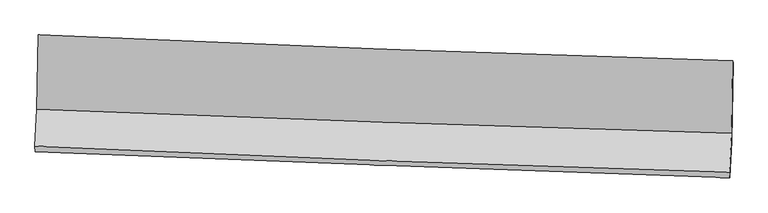
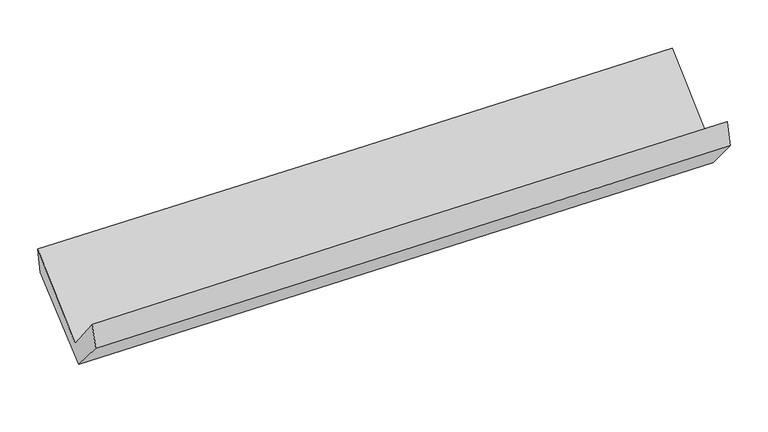
"""IFC4 building model written with IfcOpenShell, lengths in millimetres: proxy geometry."""

from ifc_helpers import new_model, si_unit, frame, origin, place, context, project, spatial, source, transform, mapped, element, save
from ifc_brep_helpers import plane_surface, spline_curve, spline_surface, advanced_brep


def generic_models_96dc1951(model_context):
    return source(origin(), model_context, "Body", "AdvancedBrep", [
        advanced_brep(
        [(-2382.8633353, -1119.8082898, 2206.0935081), (-2391.0738705, -1630.0420748, 1749.5724711), (2379.2179242, -1793.7393168, 1836.8222903), (2385.6568494, -1296.3837551, 2274.8395167), (-2405.248134, -1883.3355494, 2063.0791632), (2364.5961525, -2062.0371648, 2148.9761291), (-2403.402265, -1923.7580113, 1893.3890352), (2366.9251861, -2100.5210097, 1975.996494), (-2390.0128232, -1678.6348903, 1607.5180321), (2380.5681988, -1850.1826084, 1684.7377547), (-2380.3987587, -1145.5118773, 2029.1482423), (2388.9356815, -1310.0652092, 2092.7742639)],
        [
            (0, 1),
            (1, 2, spline_curve(3, [(-2391.0738705, -1630.0420748, 1749.5724711), (-1596.288114587, -1663.261966224, 1767.532343282), (-801.370866284, -1693.513350286, 1783.783098395), (788.726398765, -1748.07909607, 1812.866370637), (1583.906415135, -1772.393459255, 1825.698888524), (2379.2179242, -1793.7393168, 1836.8222903)], [4, 2, 4], [0.0, 7.829935005674919, 15.659867875054417])),
            (2, 3),
            (3, 0, spline_curve(3, [(2385.6568494, -1296.3837551, 2274.8395167), (1590.655899224, -1273.990702236, 2263.747971528), (795.778796431, -1248.079556139, 2252.473365669), (-793.727931869, -1189.221069432, 2229.558029405), (-1588.357557244, -1156.273727129, 2217.917299292), (-2382.8633353, -1119.8082898, 2206.0935081)], [4, 2, 4], [0.0, 7.829932869379498, 15.659867875054417])),
            (1, 4),
            (4, 5, spline_curve(3, [(-2405.248134, -1883.3355494, 2063.0791632), (-1610.725758811, -1920.019189335, 2088.64695948), (-815.977492825, -1953.252812094, 2108.588938485), (773.970602727, -2012.82001518, 2137.221257209), (1569.170432521, -2039.153597677, 2145.911600455), (2364.5961525, -2062.0371648, 2148.9761291)], [4, 2, 4], [0.0, 7.83138817095621, 15.66277420522052])),
            (5, 2),
            (4, 6),
            (6, 7, spline_curve(3, [(-2403.402265, -1923.7580113, 1893.3890352), (-1608.413240965, -1954.094146251, 1908.435189942), (-813.391387282, -1983.992465379, 1922.842222848), (776.717763361, -2042.913464783, 1950.378042196), (1571.805059771, -2071.936145007, 1963.506828784), (2366.9251861, -2100.5210097, 1975.996494)], [4, 2, 4], [0.0, 7.83167825698749, 15.663354377203934])),
            (7, 5),
            (6, 8),
            (8, 9, spline_curve(3, [(-2390.0128232, -1678.6348903, 1607.5180321), (-1594.952467688, -1707.590039845, 1621.024072355), (-799.873817249, -1736.363259886, 1634.212070018), (790.319856718, -1793.545832313, 1659.951977471), (1585.434880355, -1821.955185159, 1672.503887068), (2380.5681988, -1850.1826084, 1684.7377547)], [4, 2, 4], [0.0, 7.831861988304885, 15.663721839788595])),
            (9, 7),
            (8, 10),
            (10, 11, spline_curve(3, [(-2380.3987587, -1145.5118773, 2029.1482423), (-1585.501082519, -1172.970870782, 2038.545039371), (-790.607653318, -1200.413146839, 2048.545606844), (799.170493243, -1255.264257478, 2069.754281263), (1594.055211118, -1282.673091772, 2080.962387404), (2388.9356815, -1310.0652092, 2092.7742639)], [4, 2, 4], [0.0, 7.830441928020083, 15.660881719606438])),
            (11, 9),
            (10, 0),
            (3, 11),
        ],
        [
            spline_surface(3, 3, [[(-2382.8633353, -1119.8082898, 2206.0935081), (-1588.357557186, -1156.273727214, 2217.91729917), (-793.72793187, -1189.221069518, 2229.558029475), (795.778796432, -1248.079556052, 2252.473365599), (1590.655899347, -1273.99070214, 2263.747971446), (2385.6568494, -1296.3837551, 2274.8395167)], [(-2385.600180355, -1289.886218124, 2053.919829099), (-1591.001076323, -1325.269806894, 2067.788980552), (-796.275576653, -1357.318496427, 2080.966385788), (793.427997198, -1414.746069358, 2105.937700587), (1588.406071307, -1440.124954515, 2117.731610456), (2383.510540988, -1462.168942316, 2128.833774557)], [(-2388.337025445, -1459.964146476, 1901.746150101), (-1593.644595495, -1494.265886602, 1917.660661937), (-798.82322145, -1525.415923406, 1932.374742129), (791.077197949, -1581.412582735, 1959.402035603), (1586.156243303, -1606.259206942, 1971.715249496), (2381.364232612, -1627.954129584, 1982.828032443)], [(-2391.0738705, -1630.0420748, 1749.5724711), (-1596.288114631, -1663.261966282, 1767.532343319), (-801.370866234, -1693.513350315, 1783.783098442), (788.726398715, -1748.079096041, 1812.86637059), (1583.906415263, -1772.393459317, 1825.698888505), (2379.2179242, -1793.7393168, 1836.8222903)]], [4, 4], [4, 2, 4], [0.0, 2.196398677002904], [0.0, 7.829935005674919, 15.659867875054417]),
            spline_surface(3, 3, [[(-2391.0738705, -1630.0420748, 1749.5724711), (-1596.288114631, -1663.261966282, 1767.532343319), (-801.370866234, -1693.513350315, 1783.783098442), (788.726398715, -1748.079096041, 1812.86637059), (1583.906415263, -1772.393459317, 1825.698888505), (2379.2179242, -1793.7393168, 1836.8222903)], [(-2395.798625, -1714.473233008, 1854.074701799), (-1601.10066265, -1748.847707272, 1874.57054872), (-806.239741793, -1780.093170881, 1892.051711753), (783.807800042, -1836.326069122, 1920.984666159), (1578.994420999, -1861.313505424, 1932.436459133), (2374.344000308, -1883.171932817, 1940.873569909)], [(-2400.5233795, -1798.904391192, 1958.576932501), (-1605.913210671, -1834.433448237, 1981.608754124), (-811.108617294, -1866.672991435, 2000.320325076), (778.889201428, -1924.573042192, 2029.102961739), (1574.082426713, -1950.233551481, 2039.174029736), (2369.470076392, -1972.604548783, 2044.924849491)], [(-2405.248134, -1883.3355494, 2063.0791632), (-1610.72575869, -1920.019189227, 2088.646959524), (-815.977492853, -1953.252812001, 2108.588938387), (773.970602755, -2012.820015273, 2137.221257307), (1569.170432449, -2039.153597588, 2145.911600364), (2364.5961525, -2062.0371648, 2148.9761291)]], [4, 4], [4, 2, 4], [0.0, 1.3698748800197134], [0.0, 7.83138817095621, 15.66277420522052]),
            spline_surface(3, 3, [[(-2405.248134, -1883.3355494, 2063.0791632), (-1610.72575869, -1920.019189227, 2088.646959524), (-815.977492853, -1953.252812001, 2108.588938387), (773.970602755, -2012.820015273, 2137.221257307), (1569.170432449, -2039.153597588, 2145.911600364), (2364.5961525, -2062.0371648, 2148.9761291)], [(-2404.632844338, -1896.809703372, 2006.515787198), (-1609.954919463, -1931.377508224, 2028.576369623), (-815.115457611, -1963.499363168, 2046.673366552), (774.886322924, -2022.851165097, 2074.94018559), (1570.048641565, -2050.081113351, 2085.110009789), (2365.37249705, -2074.865113097, 2091.316250728)], [(-2404.017554662, -1910.283857328, 1949.952411202), (-1609.184080224, -1942.735827207, 1968.505779728), (-814.253422397, -1973.745914292, 1984.75779472), (775.802043065, -2032.882314878, 2012.659113875), (1570.926850633, -2061.008629122, 2024.308419231), (2366.14884155, -2087.693061403, 2033.656372372)], [(-2403.402265, -1923.7580113, 1893.3890352), (-1608.413240997, -1954.094146205, 1908.435189826), (-813.391387155, -1983.99246546, 1922.842222886), (776.717763235, -2042.913464702, 1950.378042158), (1571.805059749, -2071.936144885, 1963.506828657), (2366.9251861, -2100.5210097, 1975.996494)]], [4, 4], [4, 2, 4], [0.0, 0.6193587210375703], [0.0, 7.83167825698749, 15.663354377203934]),
            spline_surface(3, 3, [[(-2403.402265, -1923.7580113, 1893.3890352), (-1608.413240997, -1954.094146205, 1908.435189826), (-813.391387155, -1983.99246546, 1922.842222886), (776.717763235, -2042.913464702, 1950.378042158), (1571.805059749, -2071.936144885, 1963.506828657), (2366.9251861, -2100.5210097, 1975.996494)], [(-2398.93911774, -1842.050304305, 1798.098700838), (-1603.92631658, -1871.926110762, 1812.631483983), (-808.885530522, -1901.449396888, 1826.632171958), (781.251794411, -1959.790920586, 1853.569353934), (1576.348333255, -1988.609158306, 1866.505848163), (2371.472856997, -2017.07487593, 1878.910247574)], [(-2394.47597046, -1760.342597295, 1702.808366462), (-1599.439392142, -1789.758075307, 1716.827778126), (-804.379673908, -1818.906328367, 1730.422120981), (785.785825568, -1876.66837652, 1756.76066566), (1580.89160677, -1905.282171737, 1769.504867646), (2376.020527903, -1933.62874217, 1781.824001126)], [(-2390.0128232, -1678.6348903, 1607.5180321), (-1594.952467725, -1707.590039864, 1621.024072283), (-799.873817275, -1736.363259796, 1634.212070053), (790.319856744, -1793.545832403, 1659.951977436), (1585.434880276, -1821.955185158, 1672.503887153), (2380.5681988, -1850.1826084, 1684.7377547)]], [4, 4], [4, 2, 4], [0.0, 1.2525843644605361], [0.0, 7.831861988304885, 15.663721839788595]),
            spline_surface(3, 3, [[(-2390.0128232, -1678.6348903, 1607.5180321), (-1594.952467725, -1707.590039864, 1621.024072283), (-799.873817275, -1736.363259796, 1634.212070053), (790.319856744, -1793.545832403, 1659.951977436), (1585.434880276, -1821.955185158, 1672.503887153), (2380.5681988, -1850.1826084, 1684.7377547)], [(-2386.808135027, -1500.927219283, 1748.061435518), (-1591.802005956, -1529.383650114, 1760.197727954), (-796.785095987, -1557.713222156, 1772.323249033), (793.27006894, -1614.118640779, 1796.552745348), (1588.308323865, -1642.194487408, 1808.65672052), (2383.35735971, -1670.143475339, 1820.749924411)], [(-2383.603446873, -1323.219548317, 1888.604838882), (-1588.651544208, -1351.177260415, 1899.371383572), (-793.696374698, -1379.063184472, 1910.434427984), (796.220281138, -1434.69144911, 1933.153513231), (1591.181767423, -1462.433789642, 1944.809553956), (2386.14652059, -1490.104342261, 1956.762094189)], [(-2380.3987587, -1145.5118773, 2029.1482423), (-1585.50108244, -1172.970870664, 2038.545039244), (-790.607653409, -1200.413146832, 2048.545606964), (799.170493334, -1255.264257486, 2069.754281143), (1594.055211012, -1282.673091892, 2080.962387324), (2388.9356815, -1310.0652092, 2092.7742639)]], [4, 4], [4, 2, 4], [0.0, 2.221241171153983], [0.0, 7.830441928020083, 15.660881719606438]),
            spline_surface(3, 3, [[(-2380.3987587, -1145.5118773, 2029.1482423), (-1585.50108244, -1172.970870664, 2038.545039244), (-790.607653409, -1200.413146832, 2048.545606964), (799.170493334, -1255.264257486, 2069.754281143), (1594.055211012, -1282.673091892, 2080.962387324), (2388.9356815, -1310.0652092, 2092.7742639)], [(-2381.220284241, -1136.94401481, 2088.129997548), (-1586.453240696, -1167.40515619, 2098.335792533), (-791.64774623, -1196.682454402, 2108.883081123), (798.0399277, -1252.869357015, 2130.660642617), (1592.922107104, -1279.778961975, 2141.890915387), (2387.842737448, -1305.504724501, 2153.462681522)], [(-2382.041809759, -1128.37615229, 2147.111752852), (-1587.40539893, -1161.839441688, 2158.12654588), (-792.687839049, -1192.951761949, 2169.220555316), (796.909362066, -1250.474456522, 2191.567004125), (1591.789003254, -1276.884832057, 2202.819443383), (2386.749793452, -1300.944239799, 2214.151099078)], [(-2382.8633353, -1119.8082898, 2206.0935081), (-1588.357557186, -1156.273727214, 2217.91729917), (-793.72793187, -1189.221069518, 2229.558029475), (795.778796432, -1248.079556052, 2252.473365599), (1590.655899347, -1273.99070214, 2263.747971446), (2385.6568494, -1296.3837551, 2274.8395167)]], [4, 4], [4, 2, 4], [0.0, 0.5975289513649938], [0.0, 7.828822562068526, 15.657642988145145]),
            plane_surface(frame((2377.6499988, -1735.4881774, 2002.3577415), z_axis=(0.9993182889345265, -0.030827329192161093, 0.020313374309765306), x_axis=(0.012360167154641956, 0.7978434556722184, 0.6027379584105538))),
            plane_surface(frame((-2392.1665311, -1563.5151155, 1924.8000753), z_axis=(-0.9992874336837697, 0.032796115637855006, -0.01868260369365931), x_axis=(0.013782490643786064, -0.14374049099623532, -0.9895194359889123))),
        ],
        [
            (0, [[1, 2, 3, 4]]),
            (1, [[5, 6, 7, -2]]),
            (2, [[8, 9, 10, -6]]),
            (3, [[11, 12, 13, -9]]),
            (4, [[14, 15, 16, -12]]),
            (5, [[17, -4, 18, -15]]),
            (6, [[-16, -18, -3, -7, -10, -13]]),
            (7, [[-17, -14, -11, -8, -5, -1]]),
        ],
    ),
    ])


if __name__ == "__main__":
    model = new_model("IFC4")
    model_context = context("Model", 3, world=origin())
    ifc_project = project(units=[si_unit("LENGTHUNIT", "METRE", prefix="MILLI")], contexts=[model_context])
    site = spatial("IfcSite", under=ifc_project)
    building = spatial("IfcBuilding", under=site)
    placement = place(None, origin())
    generic_models_shape = generic_models_96dc1951(model_context)
    element("IfcBuildingElementProxy", 1, Name="Generic Models", at=placement, inside=building, context=model_context, shape_type="MappedRepresentation", body=[
        mapped(generic_models_shape, transform((0.0, 0.0, 0.0), x_axis=(1.0, 0.0, 0.0), y_axis=(0.0, 1.0, 0.0), z_axis=(0.0, 0.0, 1.0))),
    ])
    save(model, "model.ifc")
